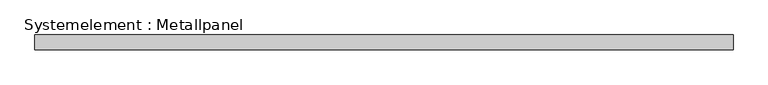
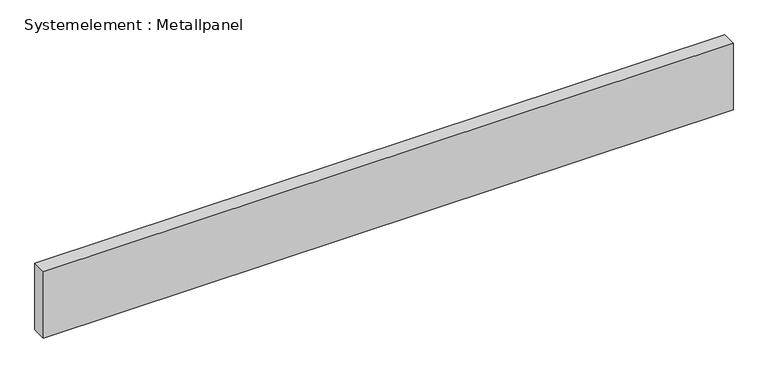
"""IFC4 building model written with IfcOpenShell, lengths in millimetres: plate geometry, Systemelement : Metallpanel."""

from ifc_helpers import new_model, si_unit, origin, origin_with_axes, place, context, project, spatial, polyline, outline, extrude, source, transform, mapped, element, save


def systemelement_metallpanel_0f25c118(model_context):
    return source(origin(), model_context, "Body", "SweptSolid", [
        extrude(outline(polyline([(712.3201191, -15.0), (-712.3201191, -15.0), (-712.3201191, 15.0), (712.3201191, 15.0), (712.3201191, -15.0)])), origin_with_axes(), (0.0, 0.0, 1.0), 145.0),
    ])


if __name__ == "__main__":
    model = new_model("IFC4")
    model_context = context("Model", 3, world=origin())
    ifc_project = project(units=[si_unit("LENGTHUNIT", "METRE", prefix="MILLI")], contexts=[model_context])
    site = spatial("IfcSite", under=ifc_project)
    building = spatial("IfcBuilding", under=site)
    placement = place(None, origin())
    systemelement_metallpanel_shape = systemelement_metallpanel_0f25c118(model_context)
    element("IfcPlate", 1, ObjectType="Systemelement : Metallpanel", at=placement, inside=building, context=model_context, shape_type="MappedRepresentation", body=[
        mapped(systemelement_metallpanel_shape, transform((0.0, 0.0, 0.0), x_axis=(1.0, 0.0, 0.0), y_axis=(0.0, 1.0, 0.0), z_axis=(0.0, 0.0, 1.0))),
    ])
    save(model, "model.ifc")
